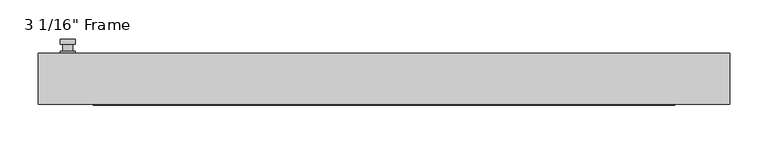
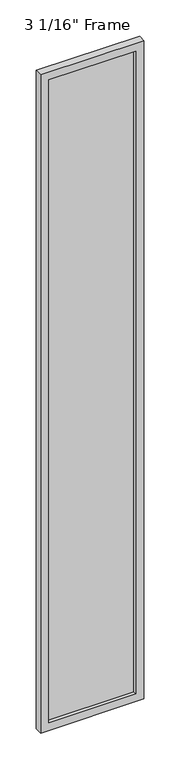
"""IFC4 building model written with IfcOpenShell, lengths in millimetres: plate geometry."""

import ifcopenshell
import ifcopenshell.guid

model = None  # the IFC model being written
_history = None  # IfcOwnerHistory: only IFC2X3 demands one
_inside = {}  # id of a spatial element -> (the spatial element, [elements in it])
_under = {}  # id of a project, library or spatial element -> (it, [spatial elements below it])
_declared = {}  # id of a project -> (the project, [libraries it declares])
_typed = {}  # id of a type object -> (the type object, [elements of that type])
_made_of = {}  # id of a material, layer set ... -> (it, [elements and type objects made of it])


def new_model(schema):
    """Start an empty IFC model of exactly this schema.

    Asked for "IFC4X3", IfcOpenShell would pick the latest addendum, in which some entities
    have other attributes; the version numbers below select the first issue.
    IFC2X3 requires an IfcOwnerHistory on every rooted entity: one is made here for all.
    """
    global model, _history
    if schema == "IFC4X3":
        model = ifcopenshell.file(schema_version=(4, 3, 0, 0))
    else:
        model = ifcopenshell.file(schema=schema)
    _inside.clear()
    _under.clear()
    _declared.clear()
    _typed.clear()
    _made_of.clear()
    _history = None
    if model.schema == "IFC2X3":
        org = make("IfcOrganization", Name="unknown")
        user = make(
            "IfcPersonAndOrganization",
            ThePerson=make("IfcPerson", FamilyName="unknown"),
            TheOrganization=org,
        )
        app = make(
            "IfcApplication",
            ApplicationDeveloper=org,
            Version="unknown",
            ApplicationFullName="unknown",
            ApplicationIdentifier="unknown",
        )
        _history = make(
            "IfcOwnerHistory",
            OwningUser=user,
            OwningApplication=app,
            ChangeAction="ADDED",
            CreationDate=0,
        )
    return model


def make(cls, **values):
    """One entity of the class cls with the attributes given. An attribute that is None is left unset."""
    return model.create_entity(
        cls, **{name: value for name, value in values.items() if value is not None}
    )


def rooted(cls, **values):
    """An entity with a GlobalId (a new one), such as an element, a storey or a relation."""
    return make(cls, GlobalId=ifcopenshell.guid.new(), OwnerHistory=_history, **values)


def si_unit(unit_type, name, prefix=None):
    """IfcSIUnit, for example si_unit("LENGTHUNIT", "METRE", prefix="MILLI")."""
    return make("IfcSIUnit", UnitType=unit_type, Prefix=prefix, Name=name)


def assignment(units):
    """IfcUnitAssignment: the units of a project."""
    return None if units is None else make("IfcUnitAssignment", Units=units)


def point(xyz):
    """IfcCartesianPoint."""
    return None if xyz is None else make("IfcCartesianPoint", Coordinates=xyz)


def direction(xyz):
    """IfcDirection."""
    return None if xyz is None else make("IfcDirection", DirectionRatios=xyz)


def frame(location, z_axis=None, x_axis=None):
    """IfcAxis2Placement3D, a coordinate frame: its origin and axes. An axis left out is left unset."""
    return make(
        "IfcAxis2Placement3D",
        Location=point(location),
        Axis=direction(z_axis),
        RefDirection=direction(x_axis),
    )


def origin():
    """The frame at (0, 0, 0) with its axes left unset."""
    return frame((0.0, 0.0, 0.0))


def place(relative_to, where):
    """IfcLocalPlacement: puts the frame where relative to a parent placement (None: the world)."""
    return make(
        "IfcLocalPlacement", PlacementRelTo=relative_to, RelativePlacement=where
    )


def context(
    kind, dimensions, precision=None, world=None, true_north=None, identifier=None
):
    """IfcGeometricRepresentationContext, for example the 3D "Model" context."""
    return make(
        "IfcGeometricRepresentationContext",
        ContextIdentifier=identifier,
        ContextType=kind,
        CoordinateSpaceDimension=dimensions,
        Precision=precision,
        WorldCoordinateSystem=world,
        TrueNorth=true_north,
    )


def project(units=None, contexts=None):
    """IfcProject with its units and contexts."""
    return rooted(
        "IfcProject",
        Name="project",
        RepresentationContexts=contexts,
        UnitsInContext=assignment(units),
    )


def spatial(cls, under=None, at=None, **own):
    """A site, building, storey or space (cls), placed at a placement, below another one or the project."""
    s = rooted(cls, ObjectPlacement=at, **own)
    if under is not None:
        _under.setdefault(under.id(), (under, []))[1].append(s)
    return s


def polyline(points):
    """IfcPolyline through the points."""
    return make("IfcPolyline", Points=[point(p) for p in points])


def circle_curve(where, radius):
    """IfcCircle in the frame where."""
    return make("IfcCircle", Position=where, Radius=radius)


def outline(outer, holes=None, kind="AREA"):
    """IfcArbitraryClosedProfileDef: a profile drawn as a closed curve; with holes, ...WithVoids."""
    if holes is None:
        return make("IfcArbitraryClosedProfileDef", ProfileType=kind, OuterCurve=outer)
    return make(
        "IfcArbitraryProfileDefWithVoids",
        ProfileType=kind,
        OuterCurve=outer,
        InnerCurves=holes,
    )


def extrude(swept, where, along, depth):
    """IfcExtrudedAreaSolid: the profile swept, set in the frame where, extruded along a direction by depth."""
    return make(
        "IfcExtrudedAreaSolid",
        SweptArea=swept,
        Position=where,
        ExtrudedDirection=direction(along),
        Depth=depth,
    )


def faces_of(points, faces, orient=None, outer=None):
    """IfcFace entities. A face is a list of loops; a loop is a list of indices into points, from 0.

    orient and outer hold one flag for each loop. By default every Orientation is true, the
    first loop of a face is its IfcFaceOuterBound and the others are IfcFaceBound.
    """
    made = []
    for i, loops in enumerate(faces):
        bounds = []
        for j, loop in enumerate(loops):
            is_outer = j == 0 if outer is None else outer[i][j]
            bounds.append(
                make(
                    "IfcFaceOuterBound" if is_outer else "IfcFaceBound",
                    Bound=make("IfcPolyLoop", Polygon=[points[k] for k in loop]),
                    Orientation=True if orient is None else orient[i][j],
                )
            )
        made.append(make("IfcFace", Bounds=bounds))
    return made


def faceted_brep(points, faces, orient=None, outer=None, voids=None):
    """IfcFacetedBrep: a solid bounded by flat faces; with voids (closed shells), ...WithVoids."""
    shared = [point(p) for p in points]
    hull = make("IfcClosedShell", CfsFaces=faces_of(shared, faces, orient, outer))
    if voids is None:
        return make("IfcFacetedBrep", Outer=hull)
    return make(
        "IfcFacetedBrepWithVoids",
        Outer=hull,
        Voids=[
            make(cls, CfsFaces=faces_of(shared, fs, o, b)) for cls, fs, o, b in voids
        ],
    )


def shape(context_of_items, identifier, shape_type, items):
    """IfcShapeRepresentation: the items that make up one representation, for example the "Body"."""
    return make(
        "IfcShapeRepresentation",
        ContextOfItems=context_of_items,
        RepresentationIdentifier=identifier,
        RepresentationType=shape_type,
        Items=items,
    )


def source(mapping_origin, context_of_items, identifier, shape_type, items):
    """IfcRepresentationMap: a shape defined once, which mapped items show again and again."""
    return make(
        "IfcRepresentationMap",
        MappingOrigin=mapping_origin,
        MappedRepresentation=shape(context_of_items, identifier, shape_type, items),
    )


def transform(
    local_origin,
    x_axis=None,
    y_axis=None,
    z_axis=None,
    scale=None,
    scale2=None,
    scale3=None,
    uniform=True,
):
    """IfcCartesianTransformationOperator3D, or its non-uniform kind. x_axis, y_axis, z_axis: its Axis1, 2, 3."""
    if uniform:
        return make(
            "IfcCartesianTransformationOperator3D",
            Axis1=direction(x_axis),
            Axis2=direction(y_axis),
            LocalOrigin=point(local_origin),
            Scale=scale,
            Axis3=direction(z_axis),
        )
    return make(
        "IfcCartesianTransformationOperator3DnonUniform",
        Axis1=direction(x_axis),
        Axis2=direction(y_axis),
        LocalOrigin=point(local_origin),
        Scale=scale,
        Axis3=direction(z_axis),
        Scale2=scale2,
        Scale3=scale3,
    )


def mapped(mapping_source, mapping_target):
    """IfcMappedItem: shows the shape of a source again, moved by a transform."""
    return make(
        "IfcMappedItem", MappingSource=mapping_source, MappingTarget=mapping_target
    )


def made_of(thing, what):
    """Note that an element or type object is made of a material, layer set ...; save() writes the relation."""
    if what is not None:
        _made_of.setdefault(what.id(), (what, []))[1].append(thing)
    return thing


def element(
    cls,
    number,
    at=None,
    inside=None,
    cuts=None,
    type_object=None,
    material=None,
    context=None,
    identifier="Body",
    shape_type=None,
    held_by="IfcProductDefinitionShape",
    body=None,
    shapes=None,
    **own,
):
    """One element of the class cls, such as IfcWall. Its Tag is "e" and its number.

    at: its placement. inside: the storey or other place that contains it. cuts: it is an
    opening in that element (IfcRelVoidsElement). A single representation is given by context,
    identifier, shape_type and body (its items); several are given by shapes. held_by: the class
    of the entity that holds the representations. save() writes the other relations.
    """
    e = rooted(cls, Tag="e%d" % number, ObjectPlacement=at, **own)
    if body is not None:
        shapes = [shape(context, identifier, shape_type, body)]
    if shapes is not None:
        e.Representation = make(held_by, Representations=shapes)
    if inside is not None:
        _inside.setdefault(inside.id(), (inside, []))[1].append(e)
    if cuts is not None:
        rooted(
            "IfcRelVoidsElement", RelatingBuildingElement=cuts, RelatedOpeningElement=e
        )
    if type_object is not None:
        _typed.setdefault(type_object.id(), (type_object, []))[1].append(e)
    return made_of(e, material)


def aggregate(whole, parts):
    """IfcRelAggregates: a whole, such as a stair, and the parts it consists of."""
    return rooted("IfcRelAggregates", RelatingObject=whole, RelatedObjects=parts)


def save(model, path):
    """Write the relations noted so far, then the file.

    IfcRelAggregates (storeys below a building ...), IfcRelContainedInSpatialStructure (elements
    in a storey), IfcRelDefinesByType, IfcRelAssociatesMaterial and IfcRelDeclares: one each for
    every whole, place, type object, material and project.
    """
    for whole, parts in _under.values():
        aggregate(whole, parts)
    for where, things in _inside.values():
        rooted(
            "IfcRelContainedInSpatialStructure",
            RelatedElements=things,
            RelatingStructure=where,
        )
    for kind, things in _typed.values():
        rooted("IfcRelDefinesByType", RelatedObjects=things, RelatingType=kind)
    for what, things in _made_of.values():
        rooted("IfcRelAssociatesMaterial", RelatedObjects=things, RelatingMaterial=what)
    for by, libraries in _declared.values():
        rooted("IfcRelDeclares", RelatingContext=by, RelatedDefinitions=libraries)
    model.write(path)


def plane_surface(at):
    """IfcPlane: the flat surface through the origin of the frame at, square to its z axis."""
    return make("IfcPlane", Position=at)


def cylinder_surface(at, radius):
    """IfcCylindricalSurface: all points at the distance radius from the z axis of the frame at."""
    return make("IfcCylindricalSurface", Position=at, Radius=radius)


def advanced_brep(points, edges, surfaces, faces):
    """IfcAdvancedBrep: a solid bounded by faces that lie on surfaces and meet in shared edges.

    An edge is (start, end): straight between two places in points (the first is 0);
    or (start, end, curve); or (start, end, curve, False) where it runs against its curve.
    A face is (place in surfaces, loops), or (place, loops, False) where it looks against
    its surface's normal. A loop lists edges by number (the first is 1), with a minus sign
    where the edge is run from its end to its start. The first loop is the outer one.
    """
    corners = [point(p) for p in points]
    vertices = [make("IfcVertexPoint", VertexGeometry=c) for c in corners]
    made = []
    for start, end, *more in edges:
        made.append(
            make(
                "IfcEdgeCurve",
                EdgeStart=vertices[start],
                EdgeEnd=vertices[end],
                EdgeGeometry=more[0] if more else make("IfcPolyline", Points=[corners[start], corners[end]]),
                SameSense=more[1] if len(more) > 1 else True,
            )
        )
    hull = []
    for where, loops, *sense in faces:
        bounds = []
        for j, loop in enumerate(loops):
            ring = [make("IfcOrientedEdge", EdgeElement=made[abs(k) - 1], Orientation=k > 0) for k in loop]
            bounds.append(
                make(
                    "IfcFaceOuterBound" if j == 0 else "IfcFaceBound",
                    Bound=make("IfcEdgeLoop", EdgeList=ring),
                    Orientation=True,
                )
            )
        hull.append(make("IfcAdvancedFace", Bounds=bounds, FaceSurface=surfaces[where], SameSense=sense[0] if sense else True))
    return make("IfcAdvancedBrep", Outer=make("IfcClosedShell", CfsFaces=hull))


def plate_5a3d2344(model_context):
    return source(origin(), model_context, "Body", "SolidModel", [
        advanced_brep(
        [(-401.6375, 33.3375, 927.1), (-420.6875, 33.3375, 927.1), (-420.6875, 33.3375, 901.7), (-401.6375, 33.3375, 901.7), (-404.8125, 46.0375, 914.4), (-404.8125, 36.5125, 914.4), (-417.5125, 36.5125, 914.4), (-417.5125, 46.0375, 914.4), (-401.6375, 46.0375, 914.4), (-420.6875, 46.0375, 914.4), (-417.5084644, 46.0375, 825.2736467), (-404.8165356, 46.0375, 825.2736467), (-401.6375, 52.3875, 914.4), (-404.8165356, 52.3875, 825.2736467), (-417.5084644, 52.3875, 825.2736467), (-420.6875, 52.3875, 914.4), (-401.6375, 36.5125, 927.1), (-401.6375, 36.5125, 901.7), (-420.6875, 36.5125, 901.7), (-420.6875, 36.5125, 927.1)],
        [
            (0, 1, circle_curve(frame((-411.1625, 33.3375, 927.1), z_axis=(0.0, -1.0, 0.0), x_axis=(-1.0, 0.0, 0.0)), 9.525)),
            (1, 2),
            (2, 3, circle_curve(frame((-411.1625, 33.3375, 901.7), z_axis=(0.0, -1.0, 0.0), x_axis=(-1.0, 0.0, 0.0)), 9.525)),
            (3, 0),
            (4, 5),
            (5, 6, circle_curve(frame((-411.1625, 36.5125, 914.4), z_axis=(0.0, 1.0, 0.0), x_axis=(-1.0, 0.0, 0.0)), 6.35)),
            (6, 7),
            (7, 4, circle_curve(frame((-411.1625, 46.0375, 914.4), z_axis=(0.0, -1.0, 0.0), x_axis=(-1.0, 0.0, 0.0)), 6.35)),
            (6, 5, circle_curve(frame((-411.1625, 36.5125, 914.4), z_axis=(0.0, 1.0, 0.0), x_axis=(-1.0, 0.0, 0.0)), 6.35)),
            (4, 7, circle_curve(frame((-411.1625, 46.0375, 914.4), z_axis=(0.0, -1.0, 0.0), x_axis=(-1.0, 0.0, 0.0)), 6.35)),
            (8, 9, circle_curve(frame((-411.1625, 46.0375, 914.4), z_axis=(0.0, -1.0, 0.0), x_axis=(-1.0, 0.0, 0.0)), 9.525)),
            (9, 10),
            (10, 11, circle_curve(frame((-411.1625, 46.0375, 825.5), z_axis=(0.0, -1.0, 0.0), x_axis=(-1.0, 0.0, 0.0)), 6.35)),
            (11, 8),
            (12, 13),
            (13, 14, circle_curve(frame((-411.1625, 52.3875, 825.5), z_axis=(0.0, 1.0, 0.0), x_axis=(-1.0, 0.0, 0.0)), 6.35)),
            (14, 15),
            (15, 12, circle_curve(frame((-411.1625, 52.3875, 914.4), z_axis=(0.0, 1.0, 0.0), x_axis=(-1.0, 0.0, 0.0)), 9.525)),
            (11, 13),
            (12, 8),
            (10, 14),
            (9, 15),
            (16, 17),
            (17, 18, circle_curve(frame((-411.1625, 36.5125, 901.7), z_axis=(0.0, 1.0, 0.0), x_axis=(-1.0, 0.0, 0.0)), 9.525)),
            (18, 19),
            (19, 16, circle_curve(frame((-411.1625, 36.5125, 927.1), z_axis=(0.0, 1.0, 0.0), x_axis=(-1.0, 0.0, 0.0)), 9.525)),
            (3, 17),
            (16, 0),
            (2, 18),
            (1, 19),
        ],
        [
            plane_surface(frame((-417.5125, 33.3375, 914.4), z_axis=(0.0, -1.0, 0.0), x_axis=(0.0, 0.0, 1.0))),
            cylinder_surface(frame((-411.1625, 46.0375, 914.4), z_axis=(0.0, -1.0, 0.0), x_axis=(-1.0, 0.0, 0.0)), 6.35),
            plane_surface(frame((-401.6375, 46.0375, 914.4), z_axis=(0.0, -1.0000000000000002, 0.0), x_axis=(-0.03564619348186888, 0.0, -0.9993644724975235))),
            plane_surface(frame((-401.6375, 52.3875, 914.4), z_axis=(0.0, 1.0000000000000002, 0.0), x_axis=(0.03564619348186888, 0.0, 0.9993644724975235))),
            plane_surface(frame((-401.6375, 46.0375, 914.4), z_axis=(0.9993644724975235, 0.0, -0.03564619348186888), x_axis=(0.0, 1.0, 0.0))),
            cylinder_surface(frame((-411.1625, 52.3875, 825.5), z_axis=(0.0, -1.0, 0.0), x_axis=(-1.0, 0.0, 0.0)), 6.35),
            plane_surface(frame((-417.5084644, 46.0375, 825.2736467), z_axis=(-0.9993644724975228, 0.0, -0.03564619348188612), x_axis=(0.0, 1.0, 0.0))),
            cylinder_surface(frame((-411.1625, 52.3875, 914.4), z_axis=(0.0, -1.0, 0.0), x_axis=(-1.0, 0.0, 0.0)), 9.525),
            plane_surface(frame((-401.6375, 36.5125, 901.7), z_axis=(0.0, 1.0, 0.0), x_axis=(0.0, 0.0, 1.0))),
            plane_surface(frame((-401.6375, 33.3375, 927.1), z_axis=(1.0, 0.0, 0.0), x_axis=(0.0, 1.0, 0.0))),
            cylinder_surface(frame((-411.1625, 36.5125, 901.7), z_axis=(0.0, -1.0, 0.0), x_axis=(-1.0, 0.0, 0.0)), 9.525),
            plane_surface(frame((-420.6875, 33.3375, 901.7), z_axis=(-1.0, 0.0, 0.0), x_axis=(0.0, 1.0, 0.0))),
            cylinder_surface(frame((-411.1625, 36.5125, 927.1), z_axis=(0.0, -1.0, 0.0), x_axis=(-1.0, 0.0, 0.0)), 9.525),
        ],
        [
            (0, [[1, 2, 3, 4]]),
            (1, [[5, 6, 7, 8]]),
            (1, [[-7, 9, -5, 10]]),
            (2, [[11, 12, 13, 14], [-10, -8]]),
            (3, [[15, 16, 17, 18]]),
            (4, [[19, -15, 20, -14]]),
            (5, [[21, -16, -19, -13]]),
            (6, [[22, -17, -21, -12]]),
            (7, [[-20, -18, -22, -11]]),
            (8, [[23, 24, 25, 26], [-9, -6]]),
            (9, [[27, -23, 28, -4]]),
            (10, [[29, -24, -27, -3]]),
            (11, [[30, -25, -29, -2]]),
            (12, [[-28, -26, -30, -1]]),
        ],
    ),
        faceted_brep([(-449.2625, 33.3375, 0.0), (449.2625, 33.3375, 0.0), (449.2625, -33.3375, 0.0), (-449.2625, -33.3375, 0.0), (-449.2625, 33.3375, 6049.9625), (449.2625, 33.3375, 6049.9625), (-377.825, 33.3375, 5978.525), (-377.825, 33.3375, 71.4375), (377.825, 33.3375, 71.4375), (377.825, 33.3375, 5978.525), (-449.2625, -33.3375, 6049.9625), (449.2625, -33.3375, 6049.9625), (-377.825, -33.3375, 5978.525), (377.825, -33.3375, 5978.525), (377.825, -33.3375, 71.4375), (-377.825, -33.3375, 71.4375), (-371.475, -11.90625, 77.7875), (-371.475, -11.90625, 5972.175), (384.175, -11.90625, 5984.875), (384.175, -11.90625, 65.0875), (-384.175, -11.90625, 65.0875), (-384.175, -11.90625, 5984.875), (371.475, -11.90625, 77.7875), (371.475, -11.90625, 5972.175), (-384.175, 11.90625, 65.0875), (-384.175, 11.90625, 5984.875), (384.175, 11.90625, 65.0875), (384.175, 11.90625, 5984.875), (-371.475, 11.90625, 5972.175), (371.475, 11.90625, 5972.175), (371.475, 11.90625, 77.7875), (-371.475, 11.90625, 77.7875)], [[[0, 1, 2, 3]], [[0, 4, 5, 1], [6, 7, 8, 9]], [[3, 10, 4, 0]], [[2, 11, 10, 3], [12, 13, 14, 15]], [[12, 15, 16, 17]], [[18, 19, 20, 21], [17, 16, 22, 23]], [[20, 24, 25, 21]], [[25, 24, 26, 27], [28, 29, 30, 31]], [[28, 31, 7, 6]], [[4, 10, 11, 5]], [[12, 17, 23, 13]], [[21, 25, 27, 18]], [[9, 29, 28, 6]], [[5, 11, 2, 1]], [[23, 22, 14, 13]], [[26, 19, 18, 27]], [[9, 8, 30, 29]], [[7, 31, 30, 8]], [[19, 26, 24, 20]], [[16, 15, 14, 22]]]),
        extrude(outline(polyline([(384.175, 11.90625), (384.175, -11.90625), (-384.175, -11.90625), (-384.175, 11.90625), (384.175, 11.90625)])), frame((0.0, 0.0, 65.0875), z_axis=(0.0, 0.0, 1.0), x_axis=(1.0, 0.0, 0.0)), (0.0, 0.0, 1.0), 5919.7875),
    ])


if __name__ == "__main__":
    model = new_model("IFC4")
    model_context = context("Model", 3, world=origin())
    ifc_project = project(units=[si_unit("LENGTHUNIT", "METRE", prefix="MILLI")], contexts=[model_context])
    site = spatial("IfcSite", under=ifc_project)
    building = spatial("IfcBuilding", under=site)
    placement = place(None, origin())
    plate_shape = plate_5a3d2344(model_context)
    element("IfcPlate", 1, ObjectType="3 1/16\" Frame", at=placement, inside=building, context=model_context, shape_type="MappedRepresentation", body=[
        mapped(plate_shape, transform((0.0, 0.0, 0.0), x_axis=(1.0, 0.0, 0.0), y_axis=(0.0, 1.0, 0.0), z_axis=(0.0, 0.0, 1.0))),
    ])
    save(model, "model.ifc")
